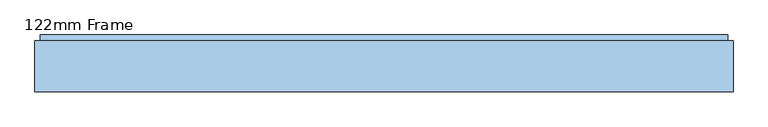
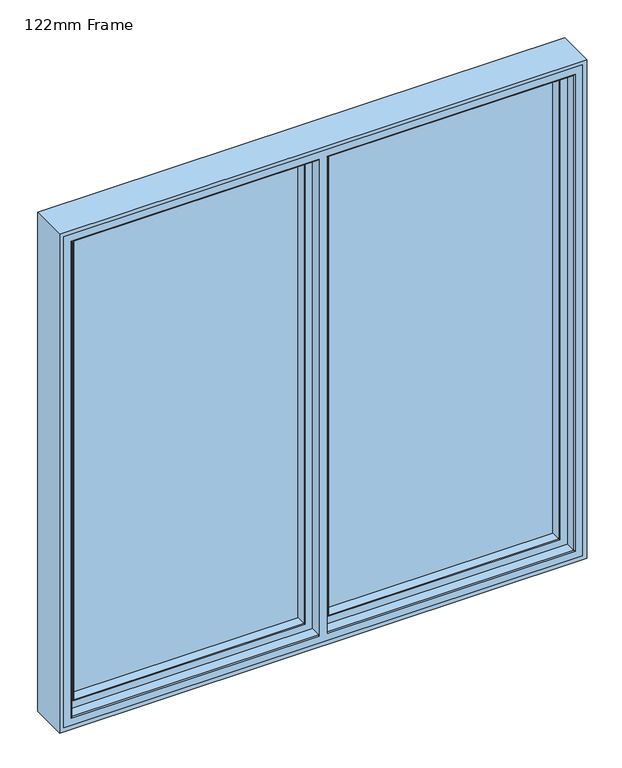
"""IFC4 building model written with IfcOpenShell, lengths in millimetres: window geometry, 122mm Frame."""

from ifc_helpers import new_model, si_unit, frame, origin, place, context, project, spatial, polyline, circle_curve, ellipse_curve, outline, extrude, source, transform, mapped, element, save
from ifc_brep_helpers import plane_surface, cylinder_surface, advanced_brep


def window_122mm_frame_a1879e1c(model_context):
    return source(origin(), model_context, "Body", "SolidModel", [
        extrude(outline(polyline([(24.2, 141.0), (702.6, 141.0), (702.6, 93.0), (24.2, 93.0), (24.2, 141.0)])), frame((0.0, 0.0, 847.4), z_axis=(0.0, 0.0, 1.0), x_axis=(1.0, 0.0, 0.0)), (0.0, 0.0, 1.0), 1405.2),
        advanced_brep(
        [(690.9078547, 66.2562613, 2240.9078547), (687.8697056, 91.0, 2237.8697056), (687.8697056, 91.0, 862.1302944), (690.9078547, 66.2562613, 859.0921453), (711.5, 91.0, 838.5), (14.5, 91.0, 838.5), (14.5, 91.0, 2261.5), (711.5, 91.0, 2261.5), (38.1302944, 91.0, 2237.8697056), (38.1302944, 91.0, 862.1302944), (35.0921453, 66.2562613, 859.0921453), (692.892947, 64.5, 2242.892947), (692.892947, 64.5, 857.107053), (711.5, 82.0, 2261.5), (711.5, 82.0, 838.5), (714.0, 82.0, 836.0), (12.0, 82.0, 836.0), (12.0, 82.0, 2264.0), (714.0, 82.0, 2264.0), (14.5, 82.0, 2261.5), (14.5, 82.0, 838.5), (714.0, 64.5, 2264.0), (714.0, 64.5, 836.0), (12.0, 64.5, 2264.0), (12.0, 64.5, 836.0), (33.107053, 64.5, 857.107053), (33.107053, 64.5, 2242.892947), (35.0921453, 66.2562613, 2240.9078547)],
        [
            (0, 1),
            (1, 2),
            (2, 3),
            (3, 0),
            (4, 5),
            (5, 6),
            (6, 7),
            (7, 4),
            (1, 8),
            (8, 9),
            (9, 2),
            (9, 10),
            (10, 3),
            (11, 0, ellipse_curve(frame((692.892947, 66.5, 2242.892947), z_axis=(0.7071067811865475, 0.0, -0.7071067811865475), x_axis=(0.7071067811865472, 0.0, 0.7071067811865477)), 2.8284271, 2.0)),
            (3, 12, ellipse_curve(frame((692.892947, 66.5, 857.107053), z_axis=(0.7071067811865475, 0.0, 0.7071067811865475), x_axis=(-0.7071067811865475, 0.0, 0.7071067811865476)), 2.8284271, 2.0)),
            (12, 11),
            (7, 13),
            (13, 14),
            (14, 4),
            (15, 16),
            (16, 17),
            (17, 18),
            (18, 15),
            (13, 19),
            (19, 20),
            (20, 14),
            (20, 5),
            (18, 21),
            (21, 22),
            (22, 15),
            (21, 23),
            (23, 24),
            (24, 22),
            (12, 25),
            (25, 26),
            (26, 11),
            (24, 16),
            (10, 25, ellipse_curve(frame((33.107053, 66.5, 857.107053), z_axis=(0.7071067811865475, 0.0, -0.7071067811865475), x_axis=(0.7071067811865477, 0.0, 0.7071067811865472)), 2.8284271, 2.0)),
            (8, 27),
            (27, 10),
            (19, 6),
            (23, 17),
            (27, 26, ellipse_curve(frame((33.107053, 66.5, 2242.892947), z_axis=(-0.7071067811865476, 0.0, -0.7071067811865475), x_axis=(0.7071067811865475, 0.0, -0.7071067811865475)), 2.8284271, 2.0)),
            (0, 27),
        ],
        [
            plane_surface(frame((687.8697056, 91.0, 2237.8697056), z_axis=(-0.9925461516413215, -0.12186934340515153, 0.0), x_axis=(0.0, 0.0, -1.0))),
            plane_surface(frame((14.5, 91.0, 2261.5), z_axis=(0.0, 1.0, 0.0), x_axis=(1.0, 0.0, 0.0))),
            plane_surface(frame((687.8697056, 91.0, 862.1302944), z_axis=(0.0, -0.12186934340515153, 0.9925461516413215), x_axis=(-1.0, 0.0, 0.0))),
            cylinder_surface(frame((692.892947, 66.5, 2237.6), z_axis=(0.0, 0.0, 1.0), x_axis=(0.0, 1.0, 0.0)), 2.0),
            plane_surface(frame((711.5, 82.0, 2261.5), z_axis=(1.0, 0.0, 0.0), x_axis=(0.0, 0.0, -1.0))),
            plane_surface(frame((12.0, 82.0, 2264.0), z_axis=(0.0, 1.0, 0.0), x_axis=(1.0, 0.0, 0.0))),
            plane_surface(frame((711.5, 82.0, 838.5), z_axis=(0.0, 0.0, -1.0), x_axis=(-1.0, 0.0, 0.0))),
            plane_surface(frame((714.0, 64.5, 2264.0), z_axis=(1.0, 0.0, 0.0), x_axis=(0.0, 0.0, -1.0))),
            plane_surface(frame((33.107053, 64.5, 2242.892947), z_axis=(0.0, -1.0, 0.0), x_axis=(1.0, 0.0, 0.0))),
            plane_surface(frame((714.0, 64.5, 836.0), z_axis=(0.0, 0.0, -1.0), x_axis=(-1.0, 0.0, 0.0))),
            cylinder_surface(frame((687.6, 66.5, 857.107053), z_axis=(1.0, 0.0, 0.0), x_axis=(0.0, 1.0, 0.0)), 2.0),
            plane_surface(frame((38.1302944, 91.0, 862.1302944), z_axis=(0.9925461516413215, -0.12186934340515153, 0.0), x_axis=(0.0, 0.0, 1.0))),
            plane_surface(frame((14.5, 82.0, 838.5), z_axis=(-1.0, 0.0, 0.0), x_axis=(0.0, 0.0, 1.0))),
            plane_surface(frame((12.0, 64.5, 836.0), z_axis=(-1.0, 0.0, 0.0), x_axis=(0.0, 0.0, 1.0))),
            cylinder_surface(frame((33.107053, 66.5, 862.4), z_axis=(0.0, 0.0, -1.0), x_axis=(0.0, 1.0, 0.0)), 2.0),
            plane_surface(frame((38.1302944, 91.0, 2237.8697056), z_axis=(0.0, -0.12186934340515153, -0.9925461516413215), x_axis=(1.0, 0.0, 0.0))),
            plane_surface(frame((14.5, 82.0, 2261.5), z_axis=(0.0, 0.0, 1.0), x_axis=(1.0, 0.0, 0.0))),
            plane_surface(frame((12.0, 64.5, 2264.0), z_axis=(0.0, 0.0, 1.0), x_axis=(1.0, 0.0, 0.0))),
            cylinder_surface(frame((38.4, 66.5, 2242.892947), z_axis=(-1.0, 0.0, 0.0), x_axis=(0.0, 1.0, 0.0)), 2.0),
        ],
        [
            (0, [[1, 2, 3, 4]]),
            (1, [[5, 6, 7, 8], [9, 10, 11, -2]]),
            (2, [[-3, -11, 12, 13]]),
            (3, [[14, -4, 15, 16]]),
            (4, [[17, 18, 19, -8]]),
            (5, [[20, 21, 22, 23], [24, 25, 26, -18]]),
            (6, [[-19, -26, 27, -5]]),
            (7, [[28, 29, 30, -23]]),
            (8, [[31, 32, 33, -29], [34, 35, 36, -16]]),
            (9, [[-30, -33, 37, -20]]),
            (10, [[-15, -13, 38, -34]]),
            (11, [[-12, -10, 39, 40]]),
            (12, [[-27, -25, 41, -6]]),
            (13, [[-37, -32, 42, -21]]),
            (14, [[-38, -40, 43, -35]]),
            (15, [[-39, -9, -1, 44]]),
            (16, [[-41, -24, -17, -7]]),
            (17, [[-42, -31, -28, -22]]),
            (18, [[-43, -44, -14, -36]]),
        ],
    ),
        advanced_brep(
        [(-714.0, 83.0, 2264.0), (-714.0, 35.0, 2264.0), (-714.0, 35.0, 836.0), (-714.0, 83.0, 836.0), (-717.0, 32.0, 2267.0), (-717.0, 32.0, 833.0), (-12.0, 35.0, 836.0), (-12.0, 83.0, 836.0), (714.0, 35.0, 836.0), (714.0, 83.0, 836.0), (12.0, 83.0, 836.0), (12.0, 35.0, 836.0), (-12.0, 83.0, 838.0), (-712.0, 83.0, 838.0), (-712.0, 83.0, 2262.0), (-12.0, 83.0, 2262.0), (-12.0, 83.0, 2264.0), (714.0, 83.0, 2264.0), (12.0, 83.0, 2264.0), (12.0, 83.0, 2262.0), (712.0, 83.0, 2262.0), (712.0, 83.0, 838.0), (12.0, 83.0, 838.0), (-712.0, 91.0, 2262.0), (-712.0, 91.0, 838.0), (712.0, 91.0, 838.0), (12.0, 91.0, 838.0), (-12.0, 91.0, 838.0), (-12.0, 91.0, 2262.0), (-705.7805994, 91.0, 2255.7805994), (-20.2, 91.0, 2255.7805994), (-20.2, 91.0, 844.2194006), (-705.7805994, 91.0, 844.2194006), (712.0, 91.0, 2262.0), (12.0, 91.0, 2262.0), (705.7805994, 91.0, 844.2194006), (20.2, 91.0, 844.2194006), (20.2, 91.0, 2255.7805994), (705.7805994, 91.0, 2255.7805994), (-688.0131086, 143.3877115, 2238.0131086), (-688.0131086, 142.0, 2238.0131086), (-688.0131086, 142.0, 861.9868914), (-688.0131086, 143.3877115, 861.9868914), (-712.2226568, 142.0, 2262.2226568), (-712.2226568, 142.0, 837.7773432), (-13.9379874, 142.0, 837.7773432), (-13.9379874, 142.0, 2262.2226568), (-38.4111574, 142.0, 2238.0131086), (-38.4111574, 142.0, 861.9868914), (712.2226568, 142.0, 837.7773432), (712.2226568, 142.0, 2262.2226568), (13.9379874, 142.0, 2262.2226568), (13.9379874, 142.0, 837.7773432), (688.0131086, 142.0, 2238.0131086), (688.0131086, 142.0, 861.9868914), (38.4111574, 142.0, 861.9868914), (38.4111574, 142.0, 2238.0131086), (-37.9868914, 143.3877115, 861.9868914), (688.0131086, 143.3877115, 861.9868914), (37.9868914, 143.3877115, 861.9868914), (-691.2576108, 154.0, 858.7423892), (-691.2576108, 154.0, 2241.2576108), (-34.7423892, 154.0, 858.7423892), (691.2576108, 154.0, 858.7423892), (34.7423892, 154.0, 858.7423892), (738.0, 154.0, 812.0), (-738.0, 154.0, 812.0), (-738.0, 154.0, 2288.0), (738.0, 154.0, 2288.0), (-34.7423892, 154.0, 2241.2576108), (691.2576108, 154.0, 2241.2576108), (34.7423892, 154.0, 2241.2576108), (-738.0, 90.5, 2288.0), (-738.0, 90.5, 812.0), (738.0, 90.5, 812.0), (12.0, 90.5, 812.0), (12.0, 86.5, 812.0), (738.0, 86.5, 812.0), (738.0, 32.0, 812.0), (-738.0, 32.0, 812.0), (-738.0, 86.5, 812.0), (-12.0, 86.5, 812.0), (-12.0, 90.5, 812.0), (-12.0, 90.5, 819.0), (-731.0, 90.5, 819.0), (-731.0, 90.5, 2281.0), (-12.0, 90.5, 2281.0), (-12.0, 90.5, 2288.0), (738.0, 90.5, 2288.0), (12.0, 90.5, 2288.0), (12.0, 90.5, 2281.0), (731.0, 90.5, 2281.0), (731.0, 90.5, 819.0), (12.0, 90.5, 819.0), (-12.0, 32.0, 833.0), (717.0, 32.0, 833.0), (12.0, 32.0, 833.0), (-12.0, 86.5, 819.0), (-12.0, 32.0, 2267.0), (-12.0, 35.0, 2264.0), (-12.0, 86.5, 2288.0), (-12.0, 86.5, 2281.0), (714.0, 35.0, 2264.0), (12.0, 86.5, 819.0), (12.0, 32.0, 2267.0), (12.0, 35.0, 2264.0), (12.0, 86.5, 2288.0), (12.0, 86.5, 2281.0), (-37.9868914, 143.3877115, 2238.0131086), (688.0131086, 143.3877115, 2238.0131086), (37.9868914, 143.3877115, 2238.0131086), (-731.0, 86.5, 2281.0), (-731.0, 86.5, 819.0), (-738.0, 86.5, 2288.0), (731.0, 86.5, 819.0), (731.0, 86.5, 2281.0), (738.0, 86.5, 2288.0), (738.0, 32.0, 2288.0), (-738.0, 32.0, 2288.0), (717.0, 32.0, 2267.0)],
        [
            (0, 1),
            (1, 2),
            (2, 3),
            (3, 0),
            (1, 4, ellipse_curve(frame((-717.0, 35.0, 2267.0), z_axis=(-0.7071067811865475, 0.0, -0.7071067811865475), x_axis=(-0.7071067811865474, 0.0, 0.7071067811865476)), 4.2426407, 3.0)),
            (4, 5),
            (5, 2, ellipse_curve(frame((-717.0, 35.0, 833.0), z_axis=(-0.7071067811865475, 0.0, 0.7071067811865475), x_axis=(0.7071067811865474, 0.0, 0.7071067811865476)), 4.2426407, 3.0)),
            (2, 6),
            (6, 7),
            (7, 3),
            (8, 9),
            (9, 10),
            (10, 11),
            (11, 8),
            (7, 12),
            (12, 13),
            (13, 14),
            (14, 15),
            (15, 16),
            (16, 0),
            (9, 17),
            (17, 18),
            (18, 19),
            (19, 20),
            (20, 21),
            (21, 22),
            (22, 10),
            (23, 14),
            (13, 24),
            (24, 23),
            (21, 25),
            (25, 26),
            (26, 22),
            (27, 24),
            (12, 27),
            (27, 28),
            (28, 23),
            (29, 30),
            (30, 31),
            (31, 32),
            (32, 29),
            (25, 33),
            (33, 34),
            (34, 26),
            (35, 36),
            (36, 37),
            (37, 38),
            (38, 35),
            (39, 40),
            (40, 41),
            (41, 42),
            (42, 39),
            (43, 44),
            (44, 45),
            (45, 46),
            (46, 43),
            (40, 47),
            (47, 48),
            (48, 41),
            (49, 50),
            (50, 51),
            (51, 52),
            (52, 49),
            (53, 54),
            (54, 55),
            (55, 56),
            (56, 53),
            (48, 57),
            (57, 42),
            (54, 58),
            (58, 59),
            (59, 55),
            (42, 60),
            (60, 61),
            (61, 39),
            (57, 62),
            (62, 60),
            (58, 63),
            (63, 64),
            (64, 59),
            (65, 66),
            (66, 67),
            (67, 68),
            (68, 65),
            (62, 69),
            (69, 61),
            (70, 71),
            (71, 64),
            (63, 70),
            (72, 67),
            (66, 73),
            (73, 72),
            (65, 74),
            (74, 75),
            (75, 76),
            (76, 77),
            (77, 78),
            (78, 79),
            (79, 80),
            (80, 81),
            (81, 82),
            (82, 73),
            (82, 83),
            (83, 84),
            (84, 85),
            (85, 86),
            (86, 87),
            (87, 72),
            (74, 88),
            (88, 89),
            (89, 90),
            (90, 91),
            (91, 92),
            (92, 93),
            (93, 75),
            (5, 94),
            (94, 6, circle_curve(frame((-12.0, 35.0, 833.0), z_axis=(-1.0, 0.0, 0.0), x_axis=(0.0, 1.0, 0.0)), 3.0)),
            (95, 8, ellipse_curve(frame((717.0, 35.0, 833.0), z_axis=(-0.7071067811865475, 0.0, -0.7071067811865475), x_axis=(-0.7071067811865476, 0.0, 0.7071067811865474)), 4.2426407, 3.0)),
            (11, 96, circle_curve(frame((12.0, 35.0, 833.0), z_axis=(1.0, 0.0, 0.0), x_axis=(0.0, 1.0, 0.0)), 3.0)),
            (96, 95),
            (81, 97),
            (97, 83),
            (94, 98),
            (98, 99, circle_curve(frame((-12.0, 35.0, 2267.0), z_axis=(1.0, 0.0, 0.0), x_axis=(0.0, 1.0, 0.0)), 3.0)),
            (99, 16),
            (15, 28),
            (100, 87),
            (86, 101),
            (101, 100),
            (8, 102),
            (102, 17),
            (93, 103),
            (103, 76),
            (104, 96),
            (34, 19),
            (18, 105),
            (105, 104, circle_curve(frame((12.0, 35.0, 2267.0), z_axis=(-1.0, 0.0, 0.0), x_axis=(0.0, 1.0, 0.0)), 3.0)),
            (89, 106),
            (106, 107),
            (107, 90),
            (20, 33),
            (47, 108),
            (108, 69),
            (53, 109),
            (109, 58),
            (71, 110),
            (110, 56),
            (109, 70),
            (68, 88),
            (111, 112),
            (112, 97),
            (80, 113),
            (113, 100),
            (101, 111),
            (114, 115),
            (115, 107),
            (106, 116),
            (116, 77),
            (103, 114),
            (117, 78),
            (116, 117),
            (117, 118),
            (118, 79),
            (4, 98),
            (104, 119),
            (119, 95),
            (118, 113),
            (119, 102, ellipse_curve(frame((717.0, 35.0, 2267.0), z_axis=(0.7071067811865475, 0.0, -0.7071067811865475), x_axis=(-0.7071067811865474, 0.0, -0.7071067811865476)), 4.2426407, 3.0)),
            (49, 35),
            (38, 50),
            (51, 37),
            (36, 52),
            (44, 32),
            (31, 45),
            (43, 29),
            (30, 46),
            (111, 85),
            (84, 112),
            (92, 114),
            (91, 115),
            (99, 1),
            (102, 105),
            (39, 108),
            (110, 109),
        ],
        [
            plane_surface(frame((-714.0, 35.0, 2264.0), z_axis=(1.0, 0.0, 0.0), x_axis=(0.0, 0.0, -1.0))),
            cylinder_surface(frame((-717.0, 35.0, 2288.0), z_axis=(0.0, 0.0, 1.0), x_axis=(0.0, 1.0, 0.0)), 3.0),
            plane_surface(frame((-714.0, 35.0, 836.0), z_axis=(0.0, 0.0, 1.0), x_axis=(1.0, 0.0, 0.0))),
            plane_surface(frame((714.0, 83.0, 2264.0), z_axis=(0.0, -1.0, 0.0), x_axis=(-1.0, 0.0, 0.0))),
            plane_surface(frame((-712.0, 83.0, 2262.0), z_axis=(1.0, 0.0, 0.0), x_axis=(0.0, 0.0, -1.0))),
            plane_surface(frame((-712.0, 83.0, 838.0), z_axis=(0.0, 0.0, 1.0), x_axis=(1.0, 0.0, 0.0))),
            plane_surface(frame((712.0, 91.0, 2262.0), z_axis=(0.0, -1.0, 0.0), x_axis=(-1.0, 0.0, 0.0))),
            plane_surface(frame((-688.0131086, 142.0, 2238.0131086), z_axis=(1.0, 0.0, 0.0), x_axis=(0.0, 0.0, -1.0))),
            plane_surface(frame((712.2226568, 142.0, 2262.2226568), z_axis=(0.0, -1.0, 0.0), x_axis=(-1.0, 0.0, 0.0))),
            plane_surface(frame((-688.0131086, 142.0, 861.9868914), z_axis=(0.0, 0.0, 1.0), x_axis=(1.0, 0.0, 0.0))),
            plane_surface(frame((-688.0131086, 143.3877115, 2238.0131086), z_axis=(0.9563047559629366, 0.2923717047230602, 0.0), x_axis=(0.0, 0.0, -1.0))),
            plane_surface(frame((-688.0131086, 143.3877115, 861.9868914), z_axis=(0.0, 0.2923717047230602, 0.9563047559629366), x_axis=(1.0, 0.0, 0.0))),
            plane_surface(frame((691.2576108, 154.0, 2241.2576108), z_axis=(0.0, 1.0, 0.0), x_axis=(-1.0, 0.0, 0.0))),
            plane_surface(frame((-738.0, 154.0, 2288.0), z_axis=(-1.0, 0.0, 0.0), x_axis=(0.0, 0.0, -1.0))),
            plane_surface(frame((-738.0, 154.0, 812.0), z_axis=(0.0, 0.0, -1.0), x_axis=(1.0, 0.0, 0.0))),
            plane_surface(frame((738.0, 90.5, 2288.0), z_axis=(0.0, -1.0, 0.0), x_axis=(-1.0, 0.0, 0.0))),
            cylinder_surface(frame((-738.0, 35.0, 833.0), z_axis=(-1.0, 0.0, 0.0), x_axis=(0.0, 1.0, 0.0)), 3.0),
            plane_surface(frame((-12.0, 91.0, 2288.0), z_axis=(-1.0, 0.0, 0.0), x_axis=(0.0, 0.0, -1.0))),
            plane_surface(frame((714.0, 35.0, 836.0), z_axis=(-1.0, 0.0, 0.0), x_axis=(0.0, 0.0, 1.0))),
            plane_surface(frame((12.0, 32.0, 2288.0), z_axis=(1.0, 0.0, 0.0), x_axis=(0.0, 0.0, -1.0))),
            plane_surface(frame((712.0, 83.0, 838.0), z_axis=(-1.0, 0.0, 0.0), x_axis=(0.0, 0.0, 1.0))),
            plane_surface(frame((-34.7423892, 154.0, 2288.0), z_axis=(-0.9563047559630803, 0.2923717047225904, 0.0), x_axis=(0.0, 0.0, -1.0))),
            plane_surface(frame((688.0131086, 142.0, 861.9868914), z_axis=(-1.0, 0.0, 0.0), x_axis=(0.0, 0.0, 1.0))),
            plane_surface(frame((38.4111574, 142.0, 2288.0), z_axis=(0.956304755963078, 0.2923717047225978, 0.0), x_axis=(0.0, 0.0, -1.0))),
            plane_surface(frame((688.0131086, 143.3877115, 861.9868914), z_axis=(-0.9563047559629366, 0.2923717047230602, 0.0), x_axis=(0.0, 0.0, 1.0))),
            plane_surface(frame((738.0, 154.0, 812.0), z_axis=(1.0, 0.0, 0.0), x_axis=(0.0, 0.0, 1.0))),
            plane_surface(frame((731.0, 86.5, 2281.0), z_axis=(0.0, 1.0, 0.0), x_axis=(-1.0, 0.0, 0.0))),
            plane_surface(frame((738.0, 86.5, 812.0), z_axis=(1.0, 0.0, 0.0), x_axis=(0.0, 0.0, 1.0))),
            plane_surface(frame((738.0, 32.0, 2288.0), z_axis=(0.0, -1.0, 0.0), x_axis=(-1.0, 0.0, 0.0))),
            plane_surface(frame((-738.0, 86.5, 2288.0), z_axis=(-1.0, 0.0, 0.0), x_axis=(0.0, 0.0, -1.0))),
            cylinder_surface(frame((717.0, 35.0, 812.0), z_axis=(0.0, 0.0, -1.0), x_axis=(0.0, 1.0, 0.0)), 3.0),
            plane_surface(frame((705.7805994, 91.0, 844.2194006), z_axis=(-0.9921164934933605, 0.12531904619186535, 0.0), x_axis=(0.0, 0.0, 1.0))),
            plane_surface(frame((20.2, 91.0, 2288.0), z_axis=(0.9925461516413162, 0.12186934340519495, 0.0), x_axis=(0.0, 0.0, -1.0))),
            plane_surface(frame((-705.7805994, 91.0, 844.2194006), z_axis=(0.0, 0.12531904619186535, 0.9921164934933605), x_axis=(1.0, 0.0, 0.0))),
            plane_surface(frame((-705.7805994, 91.0, 2255.7805994), z_axis=(0.9921164934933605, 0.12531904619186535, 0.0), x_axis=(0.0, 0.0, -1.0))),
            plane_surface(frame((-13.9379874, 142.0, 2288.0), z_axis=(-0.9925461516413195, 0.12186934340516777, 0.0), x_axis=(0.0, 0.0, -1.0))),
            plane_surface(frame((-731.0, 90.5, 2281.0), z_axis=(-1.0, 0.0, 0.0), x_axis=(0.0, 0.0, -1.0))),
            plane_surface(frame((-731.0, 90.5, 819.0), z_axis=(0.0, 0.0, -1.0), x_axis=(1.0, 0.0, 0.0))),
            plane_surface(frame((731.0, 90.5, 819.0), z_axis=(1.0, 0.0, 0.0), x_axis=(0.0, 0.0, 1.0))),
            plane_surface(frame((714.0, 35.0, 2264.0), z_axis=(0.0, 0.0, -1.0), x_axis=(-1.0, 0.0, 0.0))),
            plane_surface(frame((712.0, 83.0, 2262.0), z_axis=(0.0, 0.0, -1.0), x_axis=(-1.0, 0.0, 0.0))),
            plane_surface(frame((688.0131086, 142.0, 2238.0131086), z_axis=(0.0, 0.0, -1.0), x_axis=(-1.0, 0.0, 0.0))),
            plane_surface(frame((688.0131086, 143.3877115, 2238.0131086), z_axis=(0.0, 0.2923717047230602, -0.9563047559629366), x_axis=(-1.0, 0.0, 0.0))),
            plane_surface(frame((738.0, 154.0, 2288.0), z_axis=(0.0, 0.0, 1.0), x_axis=(-1.0, 0.0, 0.0))),
            cylinder_surface(frame((738.0, 35.0, 2267.0), z_axis=(1.0, 0.0, 0.0), x_axis=(0.0, 1.0, 0.0)), 3.0),
            plane_surface(frame((705.7805994, 91.0, 2255.7805994), z_axis=(0.0, 0.12531904619186535, -0.9921164934933605), x_axis=(-1.0, 0.0, 0.0))),
            plane_surface(frame((731.0, 90.5, 2281.0), z_axis=(0.0, 0.0, 1.0), x_axis=(-1.0, 0.0, 0.0))),
        ],
        [
            (0, [[1, 2, 3, 4]]),
            (1, [[-2, 5, 6, 7]]),
            (2, [[-3, 8, 9, 10]]),
            (2, [[11, 12, 13, 14]]),
            (3, [[-4, -10, 15, 16, 17, 18, 19, 20]]),
            (3, [[21, 22, 23, 24, 25, 26, 27, -12]]),
            (4, [[28, -17, 29, 30]]),
            (5, [[31, 32, 33, -26]]),
            (5, [[34, -29, -16, 35]]),
            (6, [[-30, -34, 36, 37], [38, 39, 40, 41]]),
            (6, [[42, 43, 44, -32], [45, 46, 47, 48]]),
            (7, [[49, 50, 51, 52]]),
            (8, [[53, 54, 55, 56], [-50, 57, 58, 59]]),
            (8, [[60, 61, 62, 63], [64, 65, 66, 67]]),
            (9, [[-51, -59, 68, 69]]),
            (9, [[70, 71, 72, -65]]),
            (10, [[-52, 73, 74, 75]]),
            (11, [[-73, -69, 76, 77]]),
            (11, [[78, 79, 80, -71]]),
            (12, [[81, 82, 83, 84], [-74, -77, 85, 86], [87, 88, -79, 89]]),
            (13, [[90, -82, 91, 92]]),
            (14, [[-91, -81, 93, 94, 95, 96, 97, 98, 99, 100, 101, 102]]),
            (15, [[-92, -102, 103, 104, 105, 106, 107, 108]]),
            (15, [[109, 110, 111, 112, 113, 114, 115, -94]]),
            (16, [[-7, 116, 117, -8]]),
            (16, [[118, -14, 119, 120]]),
            (17, [[-101, 121, 122, -103]]),
            (17, [[123, 124, 125, -19, 126, -36, -35, -15, -9, -117]]),
            (17, [[127, -107, 128, 129]]),
            (18, [[-11, 130, 131, -21]]),
            (19, [[-95, -115, 132, 133]]),
            (19, [[134, -119, -13, -27, -33, -44, 135, -23, 136, 137]]),
            (19, [[138, 139, 140, -111]]),
            (20, [[-31, -25, 141, -42]]),
            (21, [[-58, 142, 143, -85, -76, -68]]),
            (22, [[-70, -64, 144, 145]]),
            (23, [[-66, -72, -80, -88, 146, 147]]),
            (24, [[-78, -145, 148, -89]]),
            (25, [[-93, -84, 149, -109]]),
            (26, [[150, 151, -121, -100, 152, 153, -129, 154]]),
            (26, [[155, 156, -139, 157, 158, -96, -133, 159]]),
            (27, [[160, -97, -158, 161]]),
            (28, [[-98, -160, 162, 163], [-6, 164, -123, -116], [-120, -134, 165, 166]]),
            (29, [[-163, 167, -152, -99]]),
            (30, [[-130, -118, -166, 168]]),
            (31, [[-60, 169, -48, 170]]),
            (32, [[-62, 171, -46, 172]]),
            (33, [[-54, 173, -40, 174]]),
            (33, [[-169, -63, -172, -45]]),
            (34, [[-53, 175, -41, -173]]),
            (35, [[-55, -174, -39, 176]]),
            (36, [[177, -105, 178, -150]]),
            (37, [[-178, -104, -122, -151]]),
            (37, [[179, -159, -132, -114]]),
            (38, [[-179, -113, 180, -155]]),
            (39, [[-1, -20, -125, 181]]),
            (39, [[-131, 182, -136, -22]]),
            (40, [[-28, -37, -126, -18]]),
            (40, [[-43, -141, -24, -135]]),
            (41, [[-49, 183, -142, -57]]),
            (41, [[-144, -67, -147, 184]]),
            (42, [[-75, -86, -143, -183]]),
            (42, [[-148, -184, -146, -87]]),
            (43, [[-83, -90, -108, -127, -153, -167, -162, -161, -157, -138, -110, -149]]),
            (44, [[-5, -181, -124, -164]]),
            (44, [[-168, -165, -137, -182]]),
            (45, [[-61, -170, -47, -171]]),
            (45, [[-175, -56, -176, -38]]),
            (46, [[-177, -154, -128, -106]]),
            (46, [[-180, -112, -140, -156]]),
        ],
    ),
        extrude(outline(polyline([(2300.0, -750.0), (800.0, -750.0), (800.0, 750.0), (2300.0, 750.0), (2300.0, -750.0)]), holes=[polyline([(2288.0, 738.0), (812.0, 738.0), (812.0, -738.0), (2288.0, -738.0), (2288.0, 738.0)])]), frame((0.0, 32.0, 0.0), z_axis=(0.0, 1.0, 0.0), x_axis=(0.0, 0.0, 1.0)), (0.0, 0.0, 1.0), 109.0),
        extrude(outline(polyline([(-702.6, 141.0), (-24.2, 141.0), (-24.2, 93.0), (-702.6, 93.0), (-702.6, 141.0)])), frame((0.0, 0.0, 847.4), z_axis=(0.0, 0.0, 1.0), x_axis=(1.0, 0.0, 0.0)), (0.0, 0.0, 1.0), 1405.2),
        advanced_brep(
        [(-687.8697056, 91.0, 2237.8697056), (-690.9078547, 66.2562613, 2240.9078547), (-690.9078547, 66.2562613, 859.0921453), (-687.8697056, 91.0, 862.1302944), (-692.892947, 64.5, 2242.892947), (-692.892947, 64.5, 857.107053), (-35.0921453, 66.2562613, 859.0921453), (-38.1302944, 91.0, 862.1302944), (-711.5, 91.0, 2261.5), (-14.5, 91.0, 2261.5), (-14.5, 91.0, 838.5), (-711.5, 91.0, 838.5), (-38.1302944, 91.0, 2237.8697056), (-711.5, 82.0, 2261.5), (-711.5, 82.0, 838.5), (-14.5, 82.0, 838.5), (-714.0, 82.0, 2264.0), (-12.0, 82.0, 2264.0), (-12.0, 82.0, 836.0), (-714.0, 82.0, 836.0), (-14.5, 82.0, 2261.5), (-714.0, 64.5, 2264.0), (-714.0, 64.5, 836.0), (-12.0, 64.5, 836.0), (-12.0, 64.5, 2264.0), (-33.107053, 64.5, 2242.892947), (-33.107053, 64.5, 857.107053), (-35.0921453, 66.2562613, 2240.9078547)],
        [
            (0, 1),
            (1, 2),
            (2, 3),
            (3, 0),
            (1, 4, ellipse_curve(frame((-692.892947, 66.5, 2242.892947), z_axis=(-0.7071067811865475, 0.0, -0.7071067811865475), x_axis=(-0.7071067811865474, 0.0, 0.7071067811865476)), 2.8284271, 2.0)),
            (4, 5),
            (5, 2, ellipse_curve(frame((-692.892947, 66.5, 857.107053), z_axis=(-0.7071067811865475, 0.0, 0.7071067811865475), x_axis=(0.7071067811865474, 0.0, 0.7071067811865476)), 2.8284271, 2.0)),
            (2, 6),
            (6, 7),
            (7, 3),
            (8, 9),
            (9, 10),
            (10, 11),
            (11, 8),
            (7, 12),
            (12, 0),
            (13, 8),
            (11, 14),
            (14, 13),
            (10, 15),
            (15, 14),
            (16, 17),
            (17, 18),
            (18, 19),
            (19, 16),
            (15, 20),
            (20, 13),
            (21, 16),
            (19, 22),
            (22, 21),
            (18, 23),
            (23, 22),
            (23, 24),
            (24, 21),
            (4, 25),
            (25, 26),
            (26, 5),
            (26, 6, ellipse_curve(frame((-33.107053, 66.5, 857.107053), z_axis=(-0.7071067811865475, 0.0, -0.7071067811865475), x_axis=(-0.7071067811865476, 0.0, 0.7071067811865474)), 2.8284271, 2.0)),
            (6, 27),
            (27, 12),
            (9, 20),
            (17, 24),
            (25, 27, ellipse_curve(frame((-33.107053, 66.5, 2242.892947), z_axis=(0.7071067811865475, 0.0, -0.7071067811865475), x_axis=(-0.7071067811865474, 0.0, -0.7071067811865476)), 2.8284271, 2.0)),
            (27, 1),
        ],
        [
            plane_surface(frame((-690.9078547, 66.2562613, 2240.9078547), z_axis=(0.9925461516413222, -0.12186934340514635, 0.0), x_axis=(0.0, 0.0, -1.0))),
            cylinder_surface(frame((-692.892947, 66.5, 2237.6), z_axis=(0.0, 0.0, 1.0), x_axis=(0.0, 1.0, 0.0)), 2.0),
            plane_surface(frame((-690.9078547, 66.2562613, 859.0921453), z_axis=(0.0, -0.12186934340514635, 0.9925461516413222), x_axis=(1.0, 0.0, 0.0))),
            plane_surface(frame((-38.1302944, 91.0, 2237.8697056), z_axis=(0.0, 1.0, 0.0), x_axis=(-1.0, 0.0, 0.0))),
            plane_surface(frame((-711.5, 91.0, 2261.5), z_axis=(-1.0, 0.0, 0.0), x_axis=(0.0, 0.0, -1.0))),
            plane_surface(frame((-711.5, 91.0, 838.5), z_axis=(0.0, 0.0, -1.0), x_axis=(1.0, 0.0, 0.0))),
            plane_surface(frame((-14.5, 82.0, 2261.5), z_axis=(0.0, 1.0, 0.0), x_axis=(-1.0, 0.0, 0.0))),
            plane_surface(frame((-714.0, 82.0, 2264.0), z_axis=(-1.0, 0.0, 0.0), x_axis=(0.0, 0.0, -1.0))),
            plane_surface(frame((-714.0, 82.0, 836.0), z_axis=(0.0, 0.0, -1.0), x_axis=(1.0, 0.0, 0.0))),
            plane_surface(frame((-12.0, 64.5, 2264.0), z_axis=(0.0, -1.0, 0.0), x_axis=(-1.0, 0.0, 0.0))),
            cylinder_surface(frame((-687.6, 66.5, 857.107053), z_axis=(-1.0, 0.0, 0.0), x_axis=(0.0, 1.0, 0.0)), 2.0),
            plane_surface(frame((-35.0921453, 66.2562613, 859.0921453), z_axis=(-0.9925461516413222, -0.12186934340514635, 0.0), x_axis=(0.0, 0.0, 1.0))),
            plane_surface(frame((-14.5, 91.0, 838.5), z_axis=(1.0, 0.0, 0.0), x_axis=(0.0, 0.0, 1.0))),
            plane_surface(frame((-12.0, 82.0, 836.0), z_axis=(1.0, 0.0, 0.0), x_axis=(0.0, 0.0, 1.0))),
            cylinder_surface(frame((-33.107053, 66.5, 862.4), z_axis=(0.0, 0.0, -1.0), x_axis=(0.0, 1.0, 0.0)), 2.0),
            plane_surface(frame((-35.0921453, 66.2562613, 2240.9078547), z_axis=(0.0, -0.12186934340514635, -0.9925461516413222), x_axis=(-1.0, 0.0, 0.0))),
            plane_surface(frame((-14.5, 91.0, 2261.5), z_axis=(0.0, 0.0, 1.0), x_axis=(-1.0, 0.0, 0.0))),
            plane_surface(frame((-12.0, 82.0, 2264.0), z_axis=(0.0, 0.0, 1.0), x_axis=(-1.0, 0.0, 0.0))),
            cylinder_surface(frame((-38.4, 66.5, 2242.892947), z_axis=(1.0, 0.0, 0.0), x_axis=(0.0, 1.0, 0.0)), 2.0),
        ],
        [
            (0, [[1, 2, 3, 4]]),
            (1, [[5, 6, 7, -2]]),
            (2, [[-3, 8, 9, 10]]),
            (3, [[11, 12, 13, 14], [-10, 15, 16, -4]]),
            (4, [[17, -14, 18, 19]]),
            (5, [[-18, -13, 20, 21]]),
            (6, [[22, 23, 24, 25], [-21, 26, 27, -19]]),
            (7, [[28, -25, 29, 30]]),
            (8, [[-29, -24, 31, 32]]),
            (9, [[-32, 33, 34, -30], [35, 36, 37, -6]]),
            (10, [[-7, -37, 38, -8]]),
            (11, [[-9, 39, 40, -15]]),
            (12, [[-20, -12, 41, -26]]),
            (13, [[-31, -23, 42, -33]]),
            (14, [[-38, -36, 43, -39]]),
            (15, [[-40, 44, -1, -16]]),
            (16, [[-41, -11, -17, -27]]),
            (17, [[-42, -22, -28, -34]]),
            (18, [[-43, -35, -5, -44]]),
        ],
    ),
    ])


if __name__ == "__main__":
    model = new_model("IFC4")
    model_context = context("Model", 3, world=origin())
    ifc_project = project(units=[si_unit("LENGTHUNIT", "METRE", prefix="MILLI")], contexts=[model_context])
    site = spatial("IfcSite", under=ifc_project)
    building = spatial("IfcBuilding", under=site)
    placement = place(None, origin())
    window_122mm_frame_shape = window_122mm_frame_a1879e1c(model_context)
    element("IfcWindow", 1, ObjectType="122mm Frame", at=placement, inside=building, context=model_context, shape_type="MappedRepresentation", body=[
        mapped(window_122mm_frame_shape, transform((0.0, 0.0, 0.0), x_axis=(1.0, 0.0, 0.0), y_axis=(0.0, 1.0, 0.0), z_axis=(0.0, 0.0, 1.0))),
    ])
    save(model, "model.ifc")
